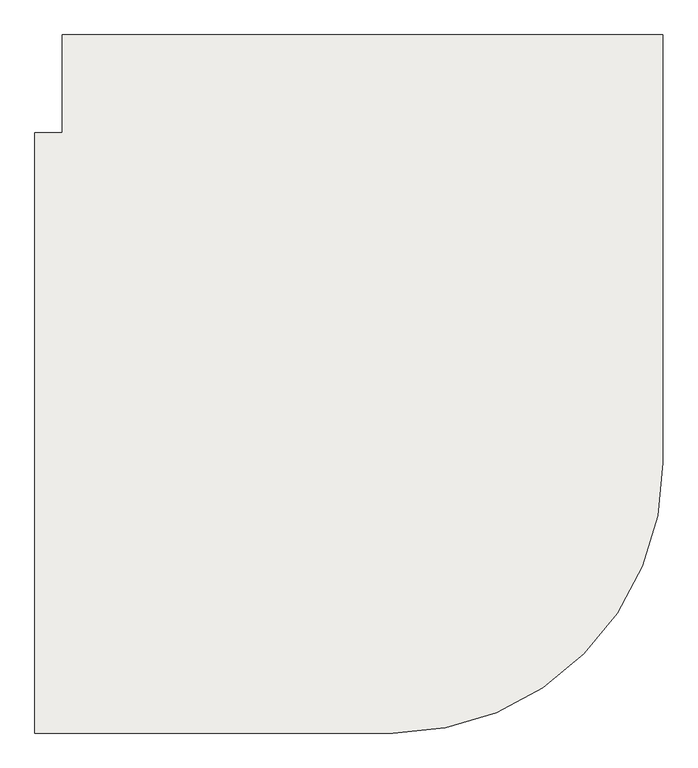
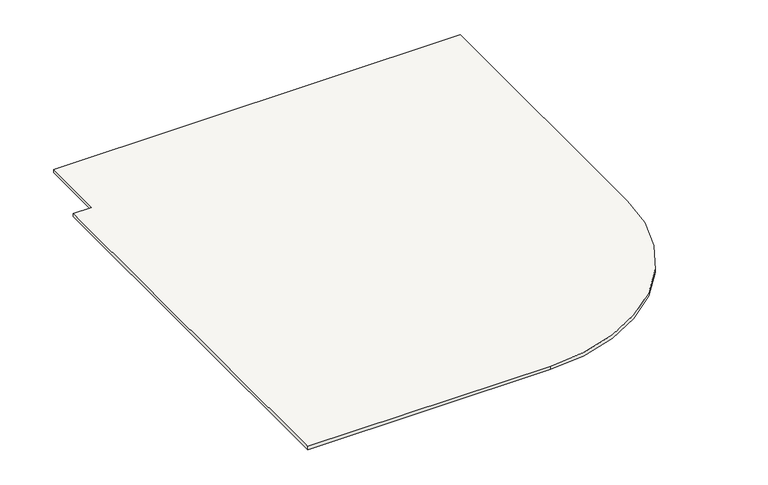
"""IFC4 building model written with IfcOpenShell, lengths in millimetres: slab geometry."""

from ifc_helpers import new_model, si_unit, point, frame, frame_2d, origin, place, context, project, spatial, polyline, circle_curve, trimmed, segment, composite_curve, outline, extrude, source, transform, mapped, element, save


def slab_ac275635(model_context):
    return source(origin(), model_context, "Body", "SweptSolid", [
        extrude(outline(composite_curve([segment(polyline([(140373.7432689, 83115.1344505), (140483.87072, 83115.1344505), (140483.87072, 83505.6888948), (142883.87072, 83505.6888948), (142883.87072, 81795.1344505)]), True, "CONTINUOUS"), segment(trimmed(circle_curve(frame_2d((141803.87072, 81795.1344505)), 1080.0), [point((142883.87072, 81795.1344505))], [point((141803.87072, 80715.1344505))], False, "CARTESIAN"), True, "CONTINUOUS"), segment(polyline([(141803.87072, 80715.1344505), (140373.7432689, 80715.1344505), (140373.7432689, 83115.1344505)]), True, "CONTINUOUS")], self_intersect=False)), frame((0.0, 0.0, 5016.6923805), z_axis=(0.0, 0.0, 1.0), x_axis=(1.0, 0.0, 0.0)), (0.0, 0.0, 1.0), 20.0),
    ])


if __name__ == "__main__":
    model = new_model("IFC4")
    model_context = context("Model", 3, world=origin())
    ifc_project = project(units=[si_unit("LENGTHUNIT", "METRE", prefix="MILLI")], contexts=[model_context])
    site = spatial("IfcSite", under=ifc_project)
    building = spatial("IfcBuilding", under=site)
    placement = place(None, origin())
    slab_shape = slab_ac275635(model_context)
    element("IfcSlab", 1, at=placement, inside=building, context=model_context, shape_type="MappedRepresentation", body=[
        mapped(slab_shape, transform((0.0, 0.0, 0.0), x_axis=(1.0, 0.0, 0.0), y_axis=(0.0, 1.0, 0.0), z_axis=(0.0, 0.0, 1.0))),
    ])
    save(model, "model.ifc")
